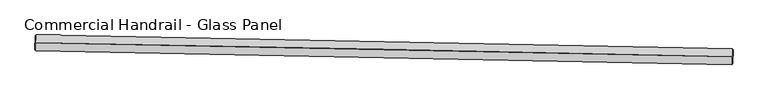
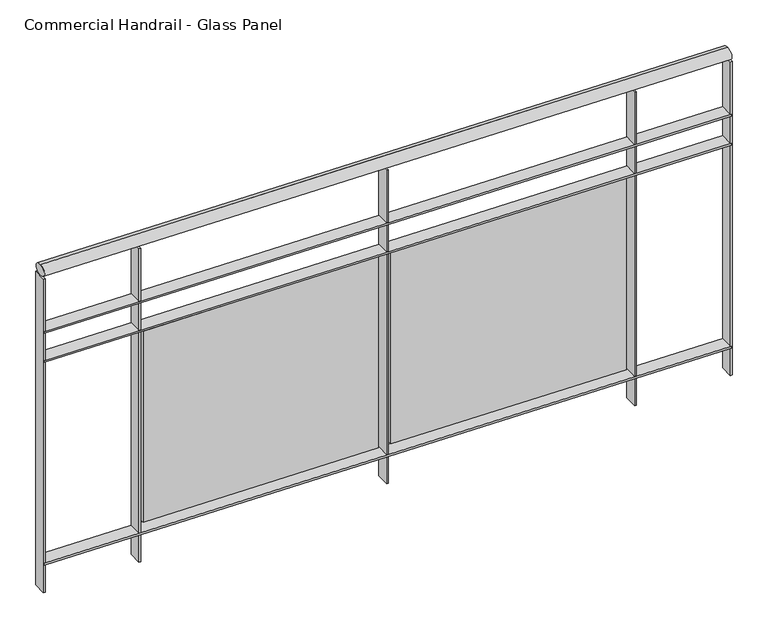
"""IFC4 building model written with IfcOpenShell, lengths in millimetres: railing geometry, Commercial Handrail - Glass Panel."""

import ifcopenshell
import ifcopenshell.guid

model = None  # the IFC model being written
_history = None  # IfcOwnerHistory: only IFC2X3 demands one
_inside = {}  # id of a spatial element -> (the spatial element, [elements in it])
_under = {}  # id of a project, library or spatial element -> (it, [spatial elements below it])
_declared = {}  # id of a project -> (the project, [libraries it declares])
_typed = {}  # id of a type object -> (the type object, [elements of that type])
_made_of = {}  # id of a material, layer set ... -> (it, [elements and type objects made of it])


def new_model(schema):
    """Start an empty IFC model of exactly this schema.

    Asked for "IFC4X3", IfcOpenShell would pick the latest addendum, in which some entities
    have other attributes; the version numbers below select the first issue.
    IFC2X3 requires an IfcOwnerHistory on every rooted entity: one is made here for all.
    """
    global model, _history
    if schema == "IFC4X3":
        model = ifcopenshell.file(schema_version=(4, 3, 0, 0))
    else:
        model = ifcopenshell.file(schema=schema)
    _inside.clear()
    _under.clear()
    _declared.clear()
    _typed.clear()
    _made_of.clear()
    _history = None
    if model.schema == "IFC2X3":
        org = make("IfcOrganization", Name="unknown")
        user = make(
            "IfcPersonAndOrganization",
            ThePerson=make("IfcPerson", FamilyName="unknown"),
            TheOrganization=org,
        )
        app = make(
            "IfcApplication",
            ApplicationDeveloper=org,
            Version="unknown",
            ApplicationFullName="unknown",
            ApplicationIdentifier="unknown",
        )
        _history = make(
            "IfcOwnerHistory",
            OwningUser=user,
            OwningApplication=app,
            ChangeAction="ADDED",
            CreationDate=0,
        )
    return model


def make(cls, **values):
    """One entity of the class cls with the attributes given. An attribute that is None is left unset."""
    return model.create_entity(
        cls, **{name: value for name, value in values.items() if value is not None}
    )


def rooted(cls, **values):
    """An entity with a GlobalId (a new one), such as an element, a storey or a relation."""
    return make(cls, GlobalId=ifcopenshell.guid.new(), OwnerHistory=_history, **values)


def si_unit(unit_type, name, prefix=None):
    """IfcSIUnit, for example si_unit("LENGTHUNIT", "METRE", prefix="MILLI")."""
    return make("IfcSIUnit", UnitType=unit_type, Prefix=prefix, Name=name)


def assignment(units):
    """IfcUnitAssignment: the units of a project."""
    return None if units is None else make("IfcUnitAssignment", Units=units)


def point(xyz):
    """IfcCartesianPoint."""
    return None if xyz is None else make("IfcCartesianPoint", Coordinates=xyz)


def direction(xyz):
    """IfcDirection."""
    return None if xyz is None else make("IfcDirection", DirectionRatios=xyz)


def frame(location, z_axis=None, x_axis=None):
    """IfcAxis2Placement3D, a coordinate frame: its origin and axes. An axis left out is left unset."""
    return make(
        "IfcAxis2Placement3D",
        Location=point(location),
        Axis=direction(z_axis),
        RefDirection=direction(x_axis),
    )


def origin():
    """The frame at (0, 0, 0) with its axes left unset."""
    return frame((0.0, 0.0, 0.0))


def place(relative_to, where):
    """IfcLocalPlacement: puts the frame where relative to a parent placement (None: the world)."""
    return make(
        "IfcLocalPlacement", PlacementRelTo=relative_to, RelativePlacement=where
    )


def context(
    kind, dimensions, precision=None, world=None, true_north=None, identifier=None
):
    """IfcGeometricRepresentationContext, for example the 3D "Model" context."""
    return make(
        "IfcGeometricRepresentationContext",
        ContextIdentifier=identifier,
        ContextType=kind,
        CoordinateSpaceDimension=dimensions,
        Precision=precision,
        WorldCoordinateSystem=world,
        TrueNorth=true_north,
    )


def project(units=None, contexts=None):
    """IfcProject with its units and contexts."""
    return rooted(
        "IfcProject",
        Name="project",
        RepresentationContexts=contexts,
        UnitsInContext=assignment(units),
    )


def spatial(cls, under=None, at=None, **own):
    """A site, building, storey or space (cls), placed at a placement, below another one or the project."""
    s = rooted(cls, ObjectPlacement=at, **own)
    if under is not None:
        _under.setdefault(under.id(), (under, []))[1].append(s)
    return s


def polyline(points):
    """IfcPolyline through the points."""
    return make("IfcPolyline", Points=[point(p) for p in points])


def circle_curve(where, radius):
    """IfcCircle in the frame where."""
    return make("IfcCircle", Position=where, Radius=radius)


def ellipse_curve(where, semi_axis1, semi_axis2):
    """IfcEllipse in the frame where."""
    return make(
        "IfcEllipse", Position=where, SemiAxis1=semi_axis1, SemiAxis2=semi_axis2
    )


def trimmed(basis, trim1, trim2, sense, master):
    """IfcTrimmedCurve: the piece of a basis curve between two trims."""
    return make(
        "IfcTrimmedCurve",
        BasisCurve=basis,
        Trim1=trim1,
        Trim2=trim2,
        SenseAgreement=sense,
        MasterRepresentation=master,
    )


def outline(outer, holes=None, kind="AREA"):
    """IfcArbitraryClosedProfileDef: a profile drawn as a closed curve; with holes, ...WithVoids."""
    if holes is None:
        return make("IfcArbitraryClosedProfileDef", ProfileType=kind, OuterCurve=outer)
    return make(
        "IfcArbitraryProfileDefWithVoids",
        ProfileType=kind,
        OuterCurve=outer,
        InnerCurves=holes,
    )


def extrude(swept, where, along, depth):
    """IfcExtrudedAreaSolid: the profile swept, set in the frame where, extruded along a direction by depth."""
    return make(
        "IfcExtrudedAreaSolid",
        SweptArea=swept,
        Position=where,
        ExtrudedDirection=direction(along),
        Depth=depth,
    )


def shape(context_of_items, identifier, shape_type, items):
    """IfcShapeRepresentation: the items that make up one representation, for example the "Body"."""
    return make(
        "IfcShapeRepresentation",
        ContextOfItems=context_of_items,
        RepresentationIdentifier=identifier,
        RepresentationType=shape_type,
        Items=items,
    )


def source(mapping_origin, context_of_items, identifier, shape_type, items):
    """IfcRepresentationMap: a shape defined once, which mapped items show again and again."""
    return make(
        "IfcRepresentationMap",
        MappingOrigin=mapping_origin,
        MappedRepresentation=shape(context_of_items, identifier, shape_type, items),
    )


def transform(
    local_origin,
    x_axis=None,
    y_axis=None,
    z_axis=None,
    scale=None,
    scale2=None,
    scale3=None,
    uniform=True,
):
    """IfcCartesianTransformationOperator3D, or its non-uniform kind. x_axis, y_axis, z_axis: its Axis1, 2, 3."""
    if uniform:
        return make(
            "IfcCartesianTransformationOperator3D",
            Axis1=direction(x_axis),
            Axis2=direction(y_axis),
            LocalOrigin=point(local_origin),
            Scale=scale,
            Axis3=direction(z_axis),
        )
    return make(
        "IfcCartesianTransformationOperator3DnonUniform",
        Axis1=direction(x_axis),
        Axis2=direction(y_axis),
        LocalOrigin=point(local_origin),
        Scale=scale,
        Axis3=direction(z_axis),
        Scale2=scale2,
        Scale3=scale3,
    )


def mapped(mapping_source, mapping_target):
    """IfcMappedItem: shows the shape of a source again, moved by a transform."""
    return make(
        "IfcMappedItem", MappingSource=mapping_source, MappingTarget=mapping_target
    )


def made_of(thing, what):
    """Note that an element or type object is made of a material, layer set ...; save() writes the relation."""
    if what is not None:
        _made_of.setdefault(what.id(), (what, []))[1].append(thing)
    return thing


def element(
    cls,
    number,
    at=None,
    inside=None,
    cuts=None,
    type_object=None,
    material=None,
    context=None,
    identifier="Body",
    shape_type=None,
    held_by="IfcProductDefinitionShape",
    body=None,
    shapes=None,
    **own,
):
    """One element of the class cls, such as IfcWall. Its Tag is "e" and its number.

    at: its placement. inside: the storey or other place that contains it. cuts: it is an
    opening in that element (IfcRelVoidsElement). A single representation is given by context,
    identifier, shape_type and body (its items); several are given by shapes. held_by: the class
    of the entity that holds the representations. save() writes the other relations.
    """
    e = rooted(cls, Tag="e%d" % number, ObjectPlacement=at, **own)
    if body is not None:
        shapes = [shape(context, identifier, shape_type, body)]
    if shapes is not None:
        e.Representation = make(held_by, Representations=shapes)
    if inside is not None:
        _inside.setdefault(inside.id(), (inside, []))[1].append(e)
    if cuts is not None:
        rooted(
            "IfcRelVoidsElement", RelatingBuildingElement=cuts, RelatedOpeningElement=e
        )
    if type_object is not None:
        _typed.setdefault(type_object.id(), (type_object, []))[1].append(e)
    return made_of(e, material)


def aggregate(whole, parts):
    """IfcRelAggregates: a whole, such as a stair, and the parts it consists of."""
    return rooted("IfcRelAggregates", RelatingObject=whole, RelatedObjects=parts)


def save(model, path):
    """Write the relations noted so far, then the file.

    IfcRelAggregates (storeys below a building ...), IfcRelContainedInSpatialStructure (elements
    in a storey), IfcRelDefinesByType, IfcRelAssociatesMaterial and IfcRelDeclares: one each for
    every whole, place, type object, material and project.
    """
    for whole, parts in _under.values():
        aggregate(whole, parts)
    for where, things in _inside.values():
        rooted(
            "IfcRelContainedInSpatialStructure",
            RelatedElements=things,
            RelatingStructure=where,
        )
    for kind, things in _typed.values():
        rooted("IfcRelDefinesByType", RelatedObjects=things, RelatingType=kind)
    for what, things in _made_of.values():
        rooted("IfcRelAssociatesMaterial", RelatedObjects=things, RelatingMaterial=what)
    for by, libraries in _declared.values():
        rooted("IfcRelDeclares", RelatingContext=by, RelatedDefinitions=libraries)
    model.write(path)


def plane_surface(at):
    """IfcPlane: the flat surface through the origin of the frame at, square to its z axis."""
    return make("IfcPlane", Position=at)


def cylinder_surface(at, radius):
    """IfcCylindricalSurface: all points at the distance radius from the z axis of the frame at."""
    return make("IfcCylindricalSurface", Position=at, Radius=radius)


def revolved_surface(curve, axis_point, axis_direction):
    """IfcSurfaceOfRevolution: the curve turned about the line through axis_point along axis_direction."""
    return make(
        "IfcSurfaceOfRevolution",
        SweptCurve=make("IfcArbitraryOpenProfileDef", ProfileType="CURVE", Curve=curve),
        AxisPosition=make("IfcAxis1Placement", Location=point(axis_point), Axis=direction(axis_direction)),
    )


def advanced_brep(points, edges, surfaces, faces):
    """IfcAdvancedBrep: a solid bounded by faces that lie on surfaces and meet in shared edges.

    An edge is (start, end): straight between two places in points (the first is 0);
    or (start, end, curve); or (start, end, curve, False) where it runs against its curve.
    A face is (place in surfaces, loops), or (place, loops, False) where it looks against
    its surface's normal. A loop lists edges by number (the first is 1), with a minus sign
    where the edge is run from its end to its start. The first loop is the outer one.
    """
    corners = [point(p) for p in points]
    vertices = [make("IfcVertexPoint", VertexGeometry=c) for c in corners]
    made = []
    for start, end, *more in edges:
        made.append(
            make(
                "IfcEdgeCurve",
                EdgeStart=vertices[start],
                EdgeEnd=vertices[end],
                EdgeGeometry=more[0] if more else make("IfcPolyline", Points=[corners[start], corners[end]]),
                SameSense=more[1] if len(more) > 1 else True,
            )
        )
    hull = []
    for where, loops, *sense in faces:
        bounds = []
        for j, loop in enumerate(loops):
            ring = [make("IfcOrientedEdge", EdgeElement=made[abs(k) - 1], Orientation=k > 0) for k in loop]
            bounds.append(
                make(
                    "IfcFaceOuterBound" if j == 0 else "IfcFaceBound",
                    Bound=make("IfcEdgeLoop", EdgeList=ring),
                    Orientation=True,
                )
            )
        hull.append(make("IfcAdvancedFace", Bounds=bounds, FaceSurface=surfaces[where], SameSense=sense[0] if sense else True))
    return make("IfcAdvancedBrep", Outer=make("IfcClosedShell", CfsFaces=hull))


def commercial_handrail_glass_panel_738d3058(model_context):
    return source(origin(), model_context, "Body", "SolidModel", [
        advanced_brep(
        [(109450.0847955, -31519.7385661, 23082.5), (111668.0683441, -31564.3090244, 23082.5), (111668.0683441, -31564.3090244, 23117.5), (109450.0847955, -31519.7385661, 23117.5)],
        [
            (0, 1, circle_curve(frame((103958.1605732, -360026.9365691, 23082.5), z_axis=(0.0, 0.0, -1.0), x_axis=(0.023466245609922713, 0.9997246297440985, 0.0)), 328553.1012963)),
            (1, 2, ellipse_curve(frame((111668.0683441, -31564.3090244, 23100.0), z_axis=(-0.9997246297440988, 0.02346624560991631, 0.0), x_axis=(0.0234662456099163, 0.9997246297440986, 0.0)), 25.0, 17.5)),
            (2, 3, circle_curve(frame((103958.1605732, -360026.9365691, 23117.5), z_axis=(0.0, 0.0, 1.0), x_axis=(0.023466245609922713, 0.9997246297440985, 0.0)), 328553.1012963)),
            (3, 0, ellipse_curve(frame((109450.0847955, -31519.7385661, 23100.0), z_axis=(0.999860286531577, -0.016715484348137827, 0.0), x_axis=(0.016715484348137827, 0.999860286531577, 0.0)), 25.0, 17.5)),
            (2, 1, ellipse_curve(frame((111668.0683441, -31564.3090244, 23100.0), z_axis=(-0.9997246297440988, 0.02346624560991631, 0.0), x_axis=(0.0234662456099163, 0.9997246297440986, 0.0)), 25.0, 17.5)),
            (0, 3, ellipse_curve(frame((109450.0847955, -31519.7385661, 23100.0), z_axis=(0.999860286531577, -0.016715484348137827, 0.0), x_axis=(0.016715484348137827, 0.999860286531577, 0.0)), 25.0, 17.5)),
        ],
        [
            revolved_surface(trimmed(ellipse_curve(frame((111668.0683441, -31564.3090244, 23100.0), z_axis=(0.9997246297440985, -0.023466245609922713, 0.0), x_axis=(0.0, 0.0, -1.0)), 17.5, 25.0), [point((111668.0683441, -31564.3090244, 23117.5))], [point((111668.0683441, -31564.3090244, 23082.5))], True, "CARTESIAN"), (103958.1605732, -360026.9365691, 23100.0), (0.0, 0.0, 1.0)),
            revolved_surface(trimmed(ellipse_curve(frame((111668.0683441, -31564.3090244, 23100.0), z_axis=(0.9997246297440985, -0.023466245609922713, 0.0), x_axis=(0.0, 0.0, -1.0)), 17.5, 25.0), [point((111668.0683441, -31564.3090244, 23082.5))], [point((111668.0683441, -31564.3090244, 23117.5))], True, "CARTESIAN"), (103958.1605732, -360026.9365691, 23100.0), (0.0, 0.0, 1.0)),
            plane_surface(frame((111668.0683441, -31564.3090244, 23100.0), z_axis=(0.9997246297440986, -0.023466245609922713, 0.0), x_axis=(0.023466245609922713, 0.9997246297440986, 0.0))),
            plane_surface(frame((109450.0847955, -31519.7385661, 23100.0), z_axis=(-0.999860286531577, 0.016715484348137813, 0.0), x_axis=(0.016715484348137813, 0.999860286531577, 0.0))),
        ],
        [
            (0, [[1, 2, 3, 4]]),
            (1, [[-3, 5, -1, 6]]),
            (2, [[-2, -5]]),
            (3, [[-6, -4]]),
        ],
    ),
        advanced_brep(
        [(109449.7086971, -31542.2354226, 22900.0), (111667.5403536, -31586.8028285, 22900.0), (111668.5963347, -31541.8152202, 22900.0), (109450.4608939, -31497.2417097, 22900.0), (109449.7086971, -31542.2354226, 22894.0), (111667.5403536, -31586.8028285, 22894.0), (109450.4608939, -31497.2417097, 22894.0), (111668.5963347, -31541.8152202, 22894.0)],
        [
            (0, 1, circle_curve(frame((103958.1605732, -360026.9365691, 22900.0), z_axis=(0.0, 0.0, -1.0), x_axis=(0.023466245609922713, 0.9997246297440985, 0.0)), 328530.6012963)),
            (1, 2),
            (2, 3, circle_curve(frame((103958.1605732, -360026.9365691, 22900.0), z_axis=(0.0, 0.0, 1.0), x_axis=(0.023466245609922713, 0.9997246297440985, 0.0)), 328575.6012963)),
            (3, 0),
            (4, 5, circle_curve(frame((103958.1605732, -360026.9365691, 22894.0), z_axis=(0.0, 0.0, -1.0), x_axis=(0.023466245609922713, 0.9997246297440985, 0.0)), 328530.6012963)),
            (5, 1),
            (0, 4),
            (6, 7, circle_curve(frame((103958.1605732, -360026.9365691, 22894.0), z_axis=(0.0, 0.0, -1.0), x_axis=(0.023466245609922713, 0.9997246297440985, 0.0)), 328575.6012963)),
            (7, 5),
            (4, 6),
            (2, 7),
            (6, 3),
        ],
        [
            plane_surface(frame((103958.1605732, -360026.9365691, 22900.0), z_axis=(0.0, 0.0, 1.0), x_axis=(0.023466245609922713, 0.9997246297440985, 0.0))),
            revolved_surface(polyline([(111667.54035359457, -31586.802828550455, 22900.0), (111667.54035359457, -31586.802828550455, 22894.0)]), (103958.1605732, -360026.9365691, 22900.0), (0.0, 0.0, 1.0)),
            plane_surface(frame((103958.1605732, -360026.9365691, 22894.0), z_axis=(0.0, 0.0, -1.0), x_axis=(0.023466245609922713, 0.9997246297440985, 0.0))),
            cylinder_surface(frame((103958.1605732, -360026.9365691, 22900.0), z_axis=(0.0, 0.0, 1.0), x_axis=(0.023466245609922713, 0.9997246297440985, 0.0)), 328575.6012963),
            plane_surface(frame((111668.0683441, -31564.3090244, 22900.0), z_axis=(0.9997246297440986, -0.023466245609922713, 0.0), x_axis=(0.023466245609922713, 0.9997246297440986, 0.0))),
            plane_surface(frame((109450.0847955, -31519.7385661, 22900.0), z_axis=(-0.999860286531577, 0.016715484348137813, 0.0), x_axis=(0.016715484348137813, 0.999860286531577, 0.0))),
        ],
        [
            (0, [[1, 2, 3, 4]]),
            (1, [[5, 6, -1, 7]]),
            (2, [[8, 9, -5, 10]]),
            (3, [[-3, 11, -8, 12]]),
            (4, [[-2, -6, -9, -11]]),
            (5, [[-12, -10, -7, -4]]),
        ],
    ),
        advanced_brep(
        [(109449.7086971, -31542.2354226, 22800.0), (111667.5403536, -31586.8028285, 22800.0), (111668.5963347, -31541.8152202, 22800.0), (109450.4608939, -31497.2417097, 22800.0), (109449.7086971, -31542.2354226, 22794.0), (111667.5403536, -31586.8028285, 22794.0), (109450.4608939, -31497.2417097, 22794.0), (111668.5963347, -31541.8152202, 22794.0)],
        [
            (0, 1, circle_curve(frame((103958.1605732, -360026.9365691, 22800.0), z_axis=(0.0, 0.0, -1.0), x_axis=(0.023466245609922713, 0.9997246297440985, 0.0)), 328530.6012963)),
            (1, 2),
            (2, 3, circle_curve(frame((103958.1605732, -360026.9365691, 22800.0), z_axis=(0.0, 0.0, 1.0), x_axis=(0.023466245609922713, 0.9997246297440985, 0.0)), 328575.6012963)),
            (3, 0),
            (4, 5, circle_curve(frame((103958.1605732, -360026.9365691, 22794.0), z_axis=(0.0, 0.0, -1.0), x_axis=(0.023466245609922713, 0.9997246297440985, 0.0)), 328530.6012963)),
            (5, 1),
            (0, 4),
            (6, 7, circle_curve(frame((103958.1605732, -360026.9365691, 22794.0), z_axis=(0.0, 0.0, -1.0), x_axis=(0.023466245609922713, 0.9997246297440985, 0.0)), 328575.6012963)),
            (7, 5),
            (4, 6),
            (2, 7),
            (6, 3),
        ],
        [
            plane_surface(frame((103958.1605732, -360026.9365691, 22800.0), z_axis=(0.0, 0.0, 1.0), x_axis=(0.023466245609922713, 0.9997246297440985, 0.0))),
            revolved_surface(polyline([(111667.54035359457, -31586.802828550455, 22800.0), (111667.54035359457, -31586.802828550455, 22794.0)]), (103958.1605732, -360026.9365691, 22800.0), (0.0, 0.0, 1.0)),
            plane_surface(frame((103958.1605732, -360026.9365691, 22794.0), z_axis=(0.0, 0.0, -1.0), x_axis=(0.023466245609922713, 0.9997246297440985, 0.0))),
            cylinder_surface(frame((103958.1605732, -360026.9365691, 22800.0), z_axis=(0.0, 0.0, 1.0), x_axis=(0.023466245609922713, 0.9997246297440985, 0.0)), 328575.6012963),
            plane_surface(frame((111668.0683441, -31564.3090244, 22800.0), z_axis=(0.9997246297440986, -0.023466245609922713, 0.0), x_axis=(0.023466245609922713, 0.9997246297440986, 0.0))),
            plane_surface(frame((109450.0847955, -31519.7385661, 22800.0), z_axis=(-0.999860286531577, 0.016715484348137813, 0.0), x_axis=(0.016715484348137813, 0.999860286531577, 0.0))),
        ],
        [
            (0, [[1, 2, 3, 4]]),
            (1, [[5, 6, -1, 7]]),
            (2, [[8, 9, -5, 10]]),
            (3, [[-3, 11, -8, 12]]),
            (4, [[-2, -6, -9, -11]]),
            (5, [[-12, -10, -7, -4]]),
        ],
    ),
        advanced_brep(
        [(109449.7086971, -31542.2354226, 22100.0), (111667.5403536, -31586.8028285, 22100.0), (111668.5963347, -31541.8152202, 22100.0), (109450.4608939, -31497.2417097, 22100.0), (109449.7086971, -31542.2354226, 22094.0), (111667.5403536, -31586.8028285, 22094.0), (109450.4608939, -31497.2417097, 22094.0), (111668.5963347, -31541.8152202, 22094.0)],
        [
            (0, 1, circle_curve(frame((103958.1605732, -360026.9365691, 22100.0), z_axis=(0.0, 0.0, -1.0), x_axis=(0.023466245609922713, 0.9997246297440985, 0.0)), 328530.6012963)),
            (1, 2),
            (2, 3, circle_curve(frame((103958.1605732, -360026.9365691, 22100.0), z_axis=(0.0, 0.0, 1.0), x_axis=(0.023466245609922713, 0.9997246297440985, 0.0)), 328575.6012963)),
            (3, 0),
            (4, 5, circle_curve(frame((103958.1605732, -360026.9365691, 22094.0), z_axis=(0.0, 0.0, -1.0), x_axis=(0.023466245609922713, 0.9997246297440985, 0.0)), 328530.6012963)),
            (5, 1),
            (0, 4),
            (6, 7, circle_curve(frame((103958.1605732, -360026.9365691, 22094.0), z_axis=(0.0, 0.0, -1.0), x_axis=(0.023466245609922713, 0.9997246297440985, 0.0)), 328575.6012963)),
            (7, 5),
            (4, 6),
            (2, 7),
            (6, 3),
        ],
        [
            plane_surface(frame((103958.1605732, -360026.9365691, 22100.0), z_axis=(0.0, 0.0, 1.0), x_axis=(0.023466245609922713, 0.9997246297440985, 0.0))),
            revolved_surface(polyline([(111667.54035359457, -31586.802828550455, 22100.0), (111667.54035359457, -31586.802828550455, 22094.0)]), (103958.1605732, -360026.9365691, 22100.0), (0.0, 0.0, 1.0)),
            plane_surface(frame((103958.1605732, -360026.9365691, 22094.0), z_axis=(0.0, 0.0, -1.0), x_axis=(0.023466245609922713, 0.9997246297440985, 0.0))),
            cylinder_surface(frame((103958.1605732, -360026.9365691, 22100.0), z_axis=(0.0, 0.0, 1.0), x_axis=(0.023466245609922713, 0.9997246297440985, 0.0)), 328575.6012963),
            plane_surface(frame((111668.0683441, -31564.3090244, 22100.0), z_axis=(0.9997246297440986, -0.023466245609922713, 0.0), x_axis=(0.023466245609922713, 0.9997246297440986, 0.0))),
            plane_surface(frame((109450.0847955, -31519.7385661, 22100.0), z_axis=(-0.999860286531577, 0.016715484348137813, 0.0), x_axis=(0.016715484348137813, 0.999860286531577, 0.0))),
        ],
        [
            (0, [[1, 2, 3, 4]]),
            (1, [[5, 6, -1, 7]]),
            (2, [[8, 9, -5, 10]]),
            (3, [[-3, 11, -8, 12]]),
            (4, [[-2, -6, -9, -11]]),
            (5, [[-12, -10, -7, -4]]),
        ],
    ),
        extrude(outline(polyline([(109762.6536892, -31502.6092569), (109761.8591469, -31547.602242), (109755.8600823, -31547.496303), (109756.6546246, -31502.503318), (109762.6536892, -31502.6092569)])), frame((0.0, 0.0, 22000.0), z_axis=(0.0, 0.0, 1.0), x_axis=(1.0, 0.0, 0.0)), (0.0, 0.0, 1.0), 1082.1192282),
        extrude(outline(polyline([(110539.0092025, -31545.529787), (109779.1445776, -31531.185736), (109779.3710626, -31519.1878735), (110539.2356875, -31533.5319245), (110539.0092025, -31545.529787)])), frame((0.0, 0.0, 22120.0), z_axis=(0.0, 0.0, 1.0), x_axis=(1.0, 0.0, 0.0)), (0.0, 0.0, 1.0), 660.0),
        extrude(outline(polyline([(110562.5656296, -31517.7165918), (110561.6615355, -31562.7075088), (110555.6627466, -31562.5869629), (110556.5668406, -31517.5960459), (110562.5656296, -31517.7165918)])), frame((0.0, 0.0, 22000.0), z_axis=(0.0, 0.0, 1.0), x_axis=(1.0, 0.0, 0.0)), (0.0, 0.0, 1.0), 1082.1192282),
        extrude(outline(polyline([(111338.8143335, -31562.5273551), (110578.9868877, -31546.33314), (110579.2425858, -31534.3358646), (111339.0700316, -31550.5300797), (111338.8143335, -31562.5273551)])), frame((0.0, 0.0, 22120.0), z_axis=(0.0, 0.0, 1.0), x_axis=(1.0, 0.0, 0.0)), (0.0, 0.0, 1.0), 660.0),
        extrude(outline(polyline([(111362.4384136, -31534.7716003), (111361.4247731, -31579.7601825), (111355.4262954, -31579.6250305), (111356.4399359, -31534.6364482), (111362.4384136, -31534.7716003)])), frame((0.0, 0.0, 22000.0), z_axis=(0.0, 0.0, 1.0), x_axis=(1.0, 0.0, 0.0)), (0.0, 0.0, 1.0), 1082.1192282),
        extrude(outline(polyline([(109453.4604747, -31497.2918561), (109452.7082779, -31542.285569), (109446.7091162, -31542.1852761), (109447.461313, -31497.1915632), (109453.4604747, -31497.2918561)])), frame((0.0, 0.0, 22000.0), z_axis=(0.0, 0.0, 1.0), x_axis=(1.0, 0.0, 0.0)), (0.0, 0.0, 1.0), 1082.1192282),
        extrude(outline(polyline([(111671.5955086, -31541.8856189), (111670.5395275, -31586.8732273), (111664.5411797, -31586.7324298), (111665.5971608, -31541.7448215), (111671.5955086, -31541.8856189)])), frame((0.0, 0.0, 22000.0), z_axis=(0.0, 0.0, 1.0), x_axis=(1.0, 0.0, 0.0)), (0.0, 0.0, 1.0), 1082.1192282),
    ])


if __name__ == "__main__":
    model = new_model("IFC4")
    model_context = context("Model", 3, world=origin())
    ifc_project = project(units=[si_unit("LENGTHUNIT", "METRE", prefix="MILLI")], contexts=[model_context])
    site = spatial("IfcSite", under=ifc_project)
    building = spatial("IfcBuilding", under=site)
    placement = place(None, origin())
    commercial_handrail_glass_panel_shape = commercial_handrail_glass_panel_738d3058(model_context)
    element("IfcRailing", 1, ObjectType="Commercial Handrail - Glass Panel", at=placement, inside=building, context=model_context, shape_type="MappedRepresentation", body=[
        mapped(commercial_handrail_glass_panel_shape, transform((0.0, 0.0, 0.0), x_axis=(1.0, 0.0, 0.0), y_axis=(0.0, 1.0, 0.0), z_axis=(0.0, 0.0, 1.0))),
    ])
    save(model, "model.ifc")
